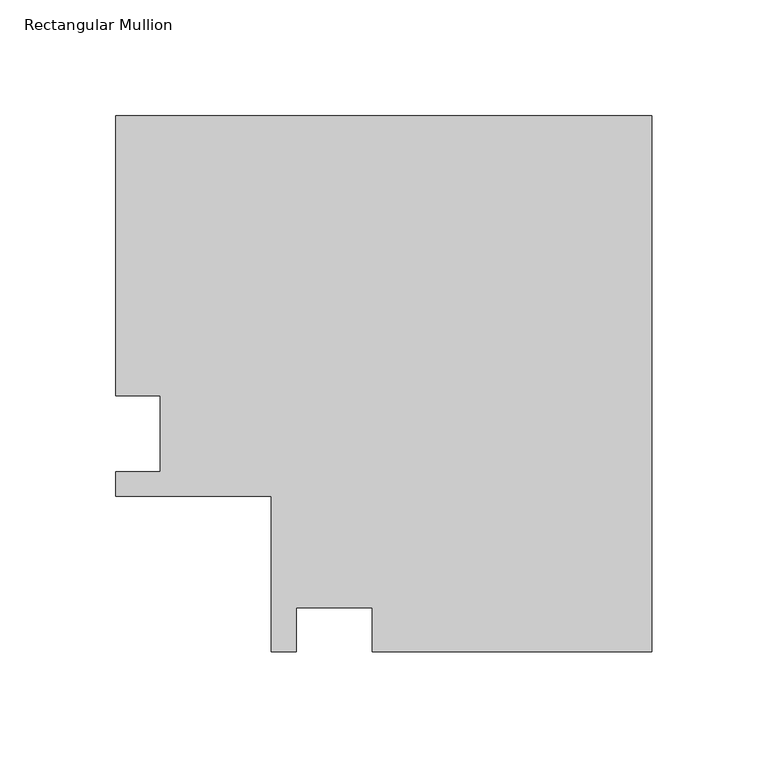
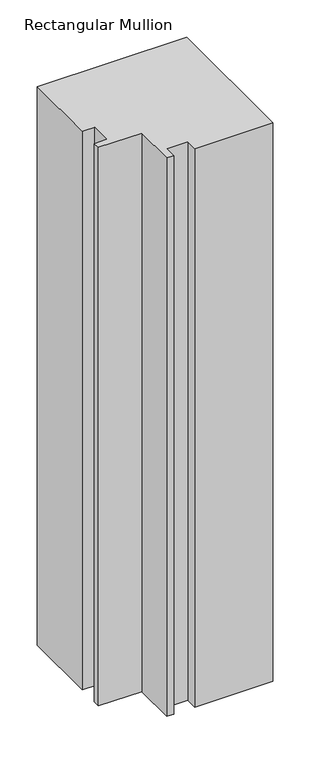
"""IFC4 building model written with IfcOpenShell, lengths in millimetres: member geometry, Rectangular Mullion."""

from ifc_helpers import new_model, si_unit, frame, origin, place, context, project, spatial, polyline, outline, extrude, source, transform, mapped, element, save


def rectangular_mullion_1bcb2220(model_context):
    return source(origin(), model_context, "Body", "SweptSolid", [
        extrude(outline(polyline([(-231.14, 152.4), (0.0, 152.4), (0.0, -78.74), (-120.65, -78.74), (-120.65, -59.69), (-153.416, -59.69), (-153.416, -78.74), (-164.084, -78.74), (-164.084, -11.684), (-231.14, -11.684), (-231.14, -1.016), (-212.09, -1.016), (-212.09, 31.75), (-231.14, 31.75), (-231.14, 152.4)])), frame((0.0, 0.0, -914.4), z_axis=(0.0, 0.0, 1.0), x_axis=(1.0, 0.0, 0.0)), (0.0, 0.0, 1.0), 914.4),
    ])


if __name__ == "__main__":
    model = new_model("IFC4")
    model_context = context("Model", 3, world=origin())
    ifc_project = project(units=[si_unit("LENGTHUNIT", "METRE", prefix="MILLI")], contexts=[model_context])
    site = spatial("IfcSite", under=ifc_project)
    building = spatial("IfcBuilding", under=site)
    placement = place(None, origin())
    rectangular_mullion_shape = rectangular_mullion_1bcb2220(model_context)
    element("IfcMember", 1, ObjectType="Rectangular Mullion", at=placement, inside=building, context=model_context, shape_type="MappedRepresentation", body=[
        mapped(rectangular_mullion_shape, transform((0.0, 0.0, 0.0), x_axis=(1.0, 0.0, 0.0), y_axis=(0.0, 1.0, 0.0), z_axis=(0.0, 0.0, 1.0))),
    ])
    save(model, "model.ifc")
